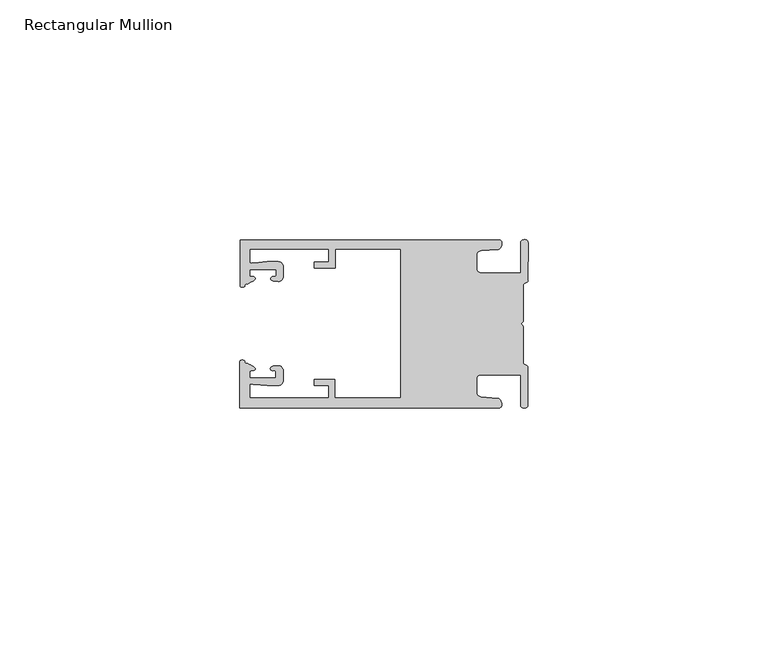
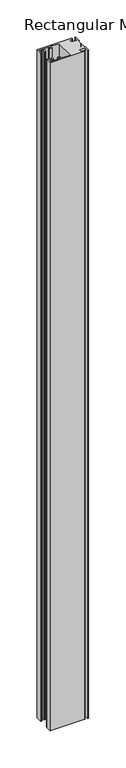
"""IFC4 building model written with IfcOpenShell, lengths in millimetres: member geometry, Rectangular Mullion."""

from ifc_helpers import new_model, si_unit, frame, origin, place, context, project, spatial, circle_curve, source, transform, mapped, element, save
from ifc_brep_helpers import plane_surface, cylinder_surface, extruded_surface, spline_curve, advanced_brep


def rectangular_mullion_bb5cd345(model_context):
    return source(origin(), model_context, "Body", "AdvancedBrep", [
        advanced_brep(
        [(-60.0749377, 17.5111528, 0.0), (-60.0749377, 8.0140787, 0.0), (-59.3252567, 7.7187455, 0.0), (-58.4967974, 8.36785, 0.0), (-58.0726619, 10.1173923, 0.0), (-58.0713101, 11.3673916, 0.0), (-52.5713133, 11.3614437, 0.0), (-52.5726651, 10.1114444, 0.0), (-53.1427626, 8.8955539, 0.0), (-52.0740172, 8.8609044, 0.0), (-51.0729364, 9.8598224, 0.0), (-51.0706653, 11.9598211, 0.0), (-52.0700692, 12.9609024, 0.0), (-54.3905105, 12.9622843, 0.0), (-57.1599646, 12.7230061, 0.0), (-58.0696339, 12.9173907, 0.0), (-58.066768, 15.5673891, 0.0), (-41.5667584, 15.5673891, 0.0), (-41.5695894, 12.9495468, 0.0), (-44.5695877, 12.9527912, 0.0), (-44.5709936, 11.6527919, 0.0), (-40.2709961, 11.6481417, 0.0), (-40.2667576, 15.5673891, 0.0), (-26.6002952, 15.5673891, 0.0), (-26.6002952, -15.4518424, 0.0), (-40.3003032, -15.4518424, 0.0), (-40.2960856, -11.5518447, 0.0), (-44.5960831, -11.5471945, 0.0), (-44.597489, -12.8471938, 0.0), (-41.5974907, -12.8504381, 0.0), (-41.6003025, -15.4504366, 0.0), (-58.1002928, -15.4325927, 0.0), (-58.097427, -12.7825943, 0.0), (-57.1873395, -12.5901776, 0.0), (-54.4184094, -12.8354453, 0.0), (-52.0979705, -12.8390822, 0.0), (-51.0964037, -11.8401649, 0.0), (-51.0941327, -9.7401662, 0.0), (-52.0930507, -8.7390853, 0.0), (-53.1618685, -8.7714231, 0.0), (-52.5944022, -9.9885439, 0.0), (-52.595754, -11.2385431, 0.0), (-58.0957508, -11.2325952, 0.0), (-58.094399, -9.9825959, 0.0), (-58.5147494, -8.2321403, 0.0), (-59.3418028, -7.5812455, 0.0), (-60.0921208, -7.8749565, 0.0), (-60.0921208, -17.4888267, 0.0), (-6.1024861, -17.4888267, 0.0), (-6.5218639, -15.488372, 0.0), (-9.8784944, -15.2205466, 0.0), (-10.7989567, -14.2226333, 0.0), (-10.7961029, -11.5837474, 0.0), (-9.8734844, -10.5878272, 0.0), (-1.5950266, -10.5934991, 0.0), (-1.601948, -16.9936935, 0.0), (-0.1017194, -16.7830581, 0.0), (-0.0933208, -9.0170082, 0.0), (-1.0923837, -8.1499018, 0.0), (-1.0842165, -0.5977972, 0.0), (-1.0829111, 0.6093089, 0.0), (-1.0747439, 8.1614135, 0.0), (-0.0738079, 9.026357, 0.0), (-0.0654093, 16.7924069, 0.0), (-1.5651789, 17.0062866, 0.0), (-1.5651789, 10.6183257, 0.0), (-9.8505511, 10.6183257, 0.0), (-10.7710133, 11.6162391, 0.0), (-10.7681595, 14.255125, 0.0), (-9.845541, 15.2510452, 0.0), (-6.4883391, 15.5116099, 0.0), (-6.0646356, 17.5111528, 0.0), (-60.0749377, 17.5111528, -1096.5), (-6.0646356, 17.5111528, -1096.5), (-6.4883391, 15.5116099, -1096.5), (-9.845541, 15.2510452, -1096.5), (-10.7681595, 14.255125, -1096.5), (-10.7710133, 11.6162391, -1096.5), (-9.8505511, 10.6183257, -1096.5), (-1.5651789, 10.6183257, -1096.5), (-1.5651789, 17.0062866, -1096.5), (-0.0654093, 16.7924069, -1096.5), (-0.0738079, 9.026357, -1096.5), (-1.0747439, 8.1614135, -1096.5), (-1.0829111, 0.6093089, -1096.5), (-1.0842165, -0.5977972, -1096.5), (-1.0923837, -8.1499018, -1096.5), (-0.0933208, -9.0170082, -1096.5), (-0.1017194, -16.7830581, -1096.5), (-1.601948, -16.9936935, -1096.5), (-1.5950266, -10.5934991, -1096.5), (-9.8734844, -10.5878272, -1096.5), (-10.7961029, -11.5837474, -1096.5), (-10.7989567, -14.2226333, -1096.5), (-9.8784944, -15.2205466, -1096.5), (-6.5218639, -15.488372, -1096.5), (-6.1024861, -17.4888267, -1096.5), (-60.0921208, -17.4888267, -1096.5), (-60.0921208, -7.8749565, -1096.5), (-59.3418028, -7.5812455, -1096.5), (-58.5147494, -8.2321403, -1096.5), (-58.094399, -9.9825959, -1096.5), (-58.0957508, -11.2325952, -1096.5), (-52.595754, -11.2385431, -1096.5), (-52.5944022, -9.9885439, -1096.5), (-53.1618685, -8.7714231, -1096.5), (-52.0930507, -8.7390853, -1096.5), (-51.0941327, -9.7401662, -1096.5), (-51.0964037, -11.8401649, -1096.5), (-52.0979705, -12.8390823, -1096.5), (-54.4184094, -12.8354453, -1096.5), (-57.1873395, -12.5901776, -1096.5), (-58.097427, -12.7825943, -1096.5), (-58.1002928, -15.4325927, -1096.5), (-41.6003025, -15.4504366, -1096.5), (-41.5974907, -12.8504381, -1096.5), (-44.597489, -12.8471938, -1096.5), (-44.5960831, -11.5471945, -1096.5), (-40.2960856, -11.5518447, -1096.5), (-40.3003032, -15.4518424, -1096.5), (-26.6002952, -15.4518424, -1096.5), (-26.6002952, 15.5673891, -1096.5), (-40.2667576, 15.5673891, -1096.5), (-40.2709961, 11.6481417, -1096.5), (-44.5709936, 11.6527919, -1096.5), (-44.5695877, 12.9527912, -1096.5), (-41.5695894, 12.9495468, -1096.5), (-41.5667584, 15.5673891, -1096.5), (-58.066768, 15.5673891, -1096.5), (-58.0696339, 12.9173907, -1096.5), (-57.1599646, 12.7230061, -1096.5), (-54.3905105, 12.9622843, -1096.5), (-52.0700692, 12.9609023, -1096.5), (-51.0706653, 11.9598211, -1096.5), (-51.0729364, 9.8598224, -1096.5), (-52.0740172, 8.8609044, -1096.5), (-53.1427626, 8.8955539, -1096.5), (-52.5726651, 10.1114444, -1096.5), (-52.5713133, 11.3614437, -1096.5), (-58.0713101, 11.3673916, -1096.5), (-58.0726619, 10.1173923, -1096.5), (-58.4967974, 8.36785, -1096.5), (-59.3252567, 7.7187455, -1096.5), (-60.0749377, 8.0140787, -1096.5)],
        [
            (0, 1),
            (1, 2, spline_curve(3, [(-60.0749377, 8.0140787, 0.0), (-60.075233123, 7.740904774, 0.0), (-59.825339491, 7.642460332, 0.0), (-59.3252567, 7.7187455, 0.0)], [4, 4], [0.0, 0.0019169337574178654])),
            (2, 3, spline_curve(3, [(-59.3252567, 7.7187455, 0.0), (-59.094460914, 7.75918372, 0.0), (-59.054835463, 7.902257199, 0.0), (-59.05559987, 8.233305614, 0.0), (-59.138729113, 8.4134359, 0.0), (-58.4967974, 8.36785, 0.0)], [4, 2, 4], [0.0, 0.0010199524164107188, 0.0024874514725970356])),
            (3, 4, spline_curve(3, [(-58.4967974, 8.36785, 0.0), (-57.022393378, 9.053435667, 0.0), (-56.827266887, 9.364828726, 0.0), (-56.982213078, 9.742623404, 0.0), (-57.177375211, 9.855581791, 0.0), (-57.697928101, 9.887955071, 0.0), (-57.997449153, 9.835475348, 0.0), (-58.0726619, 10.1173923, 0.0)], [4, 2, 2, 4], [0.0, 0.003269869179570428, 0.005490050486237203, 0.0073545767114364426])),
            (4, 5),
            (5, 6),
            (6, 7),
            (7, 8, spline_curve(3, [(-52.5726651, 10.1114444, 0.0), (-52.667195519, 9.760172042, 0.0), (-52.937094388, 9.861877724, 0.0), (-53.356237032, 9.895631753, 0.0), (-53.491940439, 9.811038713, 0.0), (-53.761900775, 9.511438033, 0.0), (-53.892893546, 9.278787104, 0.0), (-53.1427626, 8.8955539, 0.0)], [4, 2, 2, 4], [0.0, 0.001593963049934732, 0.0033360256320283306, 0.005339140673503943])),
            (8, 9),
            (9, 10, circle_curve(frame((-52.0729358, 9.8609038, 0.0), z_axis=(0.0, 0.0, 1.0), x_axis=(-0.0010814451158600304, -0.9999994152380598, 0.0)), 1.0)),
            (10, 11),
            (11, 12, circle_curve(frame((-52.0706647, 11.9609026, 0.0), z_axis=(0.0, 0.0, 1.0), x_axis=(-0.0010814451158600304, -0.9999994152380598, 0.0)), 1.0)),
            (12, 13),
            (13, 14),
            (14, 15, spline_curve(3, [(-57.1599646, 12.7230061, 0.0), (-57.631533854, 12.682262968, 0.0), (-58.018602985, 12.477800124, 0.0), (-58.0696339, 12.9173907, 0.0)], [4, 4], [0.0, 0.0014803385355886016])),
            (15, 16),
            (16, 17),
            (17, 18),
            (18, 19),
            (19, 20),
            (20, 21),
            (21, 22),
            (22, 23),
            (23, 24),
            (24, 25),
            (25, 26),
            (26, 27),
            (27, 28),
            (28, 29),
            (29, 30),
            (30, 31),
            (31, 32),
            (32, 33, spline_curve(3, [(-58.097427, -12.7825943, 0.0), (-58.045445419, -12.343115126, 0.0), (-57.658819528, -12.548414611, 0.0), (-57.1873395, -12.5901776, 0.0)], [4, 4], [0.0, 0.0014803385355886016])),
            (33, 34),
            (34, 35),
            (35, 36, circle_curve(frame((-52.0964031, -11.8390835, 0.0), z_axis=(0.0, 0.0, 1.0), x_axis=(0.0010814451158600304, 0.9999994152380598, 0.0)), 1.0)),
            (36, 37),
            (37, 38, circle_curve(frame((-52.0941321, -9.7390847, 0.0), z_axis=(0.0, 0.0, 1.0), x_axis=(0.0010814451158600304, 0.9999994152380598, 0.0)), 1.0)),
            (38, 39),
            (39, 40, spline_curve(3, [(-53.1618685, -8.7714231, 0.0), (-53.912826582, -9.153032958, 0.0), (-53.782337352, -9.385966711, 0.0), (-53.51302565, -9.686150585, 0.0), (-53.377505444, -9.771037009, 0.0), (-52.958290774, -9.738189618, 0.0), (-52.688172635, -9.637067904, 0.0), (-52.5944022, -9.9885439, 0.0)], [4, 2, 2, 4], [0.0, 0.002003115041475612, 0.0037451776235692107, 0.005339140673503943])),
            (40, 41),
            (41, 42),
            (42, 43),
            (43, 44, spline_curve(3, [(-58.094399, -9.9825959, 0.0), (-58.018576674, -9.700842284, 0.0), (-57.719169706, -9.753969703, 0.0), (-57.198548014, -9.722722397, 0.0), (-57.003142178, -9.61018632, 0.0), (-56.847379222, -9.232727657, 0.0), (-57.041831673, -8.920913336, 0.0), (-58.5147494, -8.2321403, 0.0)], [4, 2, 2, 4], [0.0, 0.0018645262251992395, 0.004084707531866015, 0.0073545767114364426])),
            (44, 45, spline_curve(3, [(-58.5147494, -8.2321403, 0.0), (-59.156778208, -8.276337666, 0.0), (-59.073259494, -8.096387681, 0.0), (-59.071779067, -7.765341694, 0.0), (-59.111095017, -7.622182811, 0.0), (-59.3418028, -7.5812455, 0.0)], [4, 2, 4], [0.0, 0.0014674990561863168, 0.0024874514725970356])),
            (45, 46, spline_curve(3, [(-59.3418028, -7.5812455, 0.0), (-59.841719425, -7.503878887, 0.0), (-60.091825377, -7.601782574, 0.0), (-60.0921208, -7.8749565, 0.0)], [4, 4], [0.0, 0.0019169337574178654])),
            (46, 47),
            (47, 48),
            (48, 49, spline_curve(3, [(-6.1024861, -17.4888267, 0.0), (-5.074532184, -17.418062188, 0.0), (-5.631140689, -15.411414367, 0.0), (-6.5218639, -15.488372, 0.0)], [4, 4], [0.0, 0.0043819361547461745])),
            (49, 50),
            (50, 51, spline_curve(3, [(-9.8784944, -15.2205466, 0.0), (-10.440691543, -15.150698463, 0.0), (-10.74751234, -14.818060727, 0.0), (-10.7989567, -14.2226333, 0.0)], [4, 4], [0.0, 0.0028645797420738927])),
            (51, 52),
            (52, 53, spline_curve(3, [(-10.7961029, -11.5837474, 0.0), (-10.743370817, -10.988432634, 0.0), (-10.435831301, -10.656459204, 0.0), (-9.8734844, -10.5878272, 0.0)], [4, 4], [0.0, 0.0028645797420738927])),
            (53, 54),
            (54, 55),
            (55, 56, spline_curve(3, [(-1.601948, -16.9936935, 0.0), (-1.655676874, -17.600261454, 0.0), (-0.043737403, -17.912795581, 0.0), (-0.1017194, -16.7830581, 0.0)], [4, 4], [0.0, 0.0036987374396357936])),
            (56, 57),
            (57, 58, spline_curve(3, [(-0.0933208, -9.0170082, 0.0), (-0.018818183, -8.695886697, 0.0), (-1.193434327, -8.459763043, 0.0), (-1.0923837, -8.1499018, 0.0)], [4, 4], [0.0, 0.002027216749630121])),
            (58, 59),
            (59, 60, spline_curve(3, [(-1.0842165, -0.5977972, 0.0), (-1.013223198, -0.445980437, 0.0), (-1.487945123, -0.206736825, 0.0), (-1.487409651, 0.231097965, 0.0), (-0.999110985, 0.429090391, 0.0), (-1.0829111, 0.6093089, 0.0)], [4, 2, 4], [0.0, 0.00249866671847065, 0.005031402919736269])),
            (60, 61),
            (61, 62, spline_curve(3, [(-1.0747439, 8.1614135, 0.0), (-1.175124095, 8.47149258, 0.0), (-7e-09, 8.705075107, 0.0), (-0.0738079, 9.026357, 0.0)], [4, 4], [0.0, 0.002027216749630121])),
            (62, 63),
            (63, 64, spline_curve(3, [(-0.0654093, 16.7924069, 0.0), (-0.004983942, 17.92201633, 0.0), (-1.617595709, 17.612969344, 0.0), (-1.5651789, 17.0062866, 0.0)], [4, 4], [0.0, 0.0036987374396357936])),
            (64, 65),
            (65, 66),
            (66, 67, spline_curve(3, [(-9.8505511, 10.6183257, 0.0), (-10.412748243, 10.688173837, 0.0), (-10.71956894, 11.020811673, 0.0), (-10.7710133, 11.6162391, 0.0)], [4, 4], [0.0, 0.0028645797420738927])),
            (67, 68),
            (68, 69, spline_curve(3, [(-10.7681595, 14.255125, 0.0), (-10.715427417, 14.850439766, 0.0), (-10.407887901, 15.182413196, 0.0), (-9.845541, 15.2510452, 0.0)], [4, 4], [0.0, 0.0028645797420738927])),
            (69, 70),
            (70, 71, spline_curve(3, [(-6.4883391, 15.5116099, 0.0), (-5.597784423, 15.432725911, 0.0), (-5.036837144, 17.438165103, 0.0), (-6.0646356, 17.5111528, 0.0)], [4, 4], [0.0, 0.0043819361547461745])),
            (71, 0),
            (72, 73),
            (73, 74, spline_curve(3, [(-6.0646356, 17.5111528, -1096.5), (-5.036837144, 17.438165103, -1096.5), (-5.597784423, 15.432725911, -1096.5), (-6.4883391, 15.5116099, -1096.5)], [4, 4], [0.0, 0.0043819361547461745])),
            (74, 75),
            (75, 76, spline_curve(3, [(-9.845541, 15.2510452, -1096.5), (-10.407887901, 15.182413196, -1096.5), (-10.715427417, 14.850439766, -1096.5), (-10.7681595, 14.255125, -1096.5)], [4, 4], [0.0, 0.0028645797420738927])),
            (76, 77),
            (77, 78, spline_curve(3, [(-10.7710133, 11.6162391, -1096.5), (-10.71956894, 11.020811673, -1096.5), (-10.412748243, 10.688173837, -1096.5), (-9.8505511, 10.6183257, -1096.5)], [4, 4], [0.0, 0.0028645797420738927])),
            (78, 79),
            (79, 80),
            (80, 81, spline_curve(3, [(-1.5651789, 17.0062866, -1096.5), (-1.617595709, 17.612969344, -1096.5), (-0.004983942, 17.92201633, -1096.5), (-0.0654093, 16.7924069, -1096.5)], [4, 4], [0.0, 0.0036987374396357936])),
            (81, 82),
            (82, 83, spline_curve(3, [(-0.0738079, 9.026357, -1096.5), (-7e-09, 8.705075107, -1096.5), (-1.175124095, 8.47149258, -1096.5), (-1.0747439, 8.1614135, -1096.5)], [4, 4], [0.0, 0.002027216749630121])),
            (83, 84),
            (84, 85, spline_curve(3, [(-1.0829111, 0.6093089, -1096.5), (-0.999110985, 0.429090391, -1096.5), (-1.487409651, 0.231097965, -1096.5), (-1.487945123, -0.206736825, -1096.5), (-1.013223198, -0.445980437, -1096.5), (-1.0842165, -0.5977972, -1096.5)], [4, 2, 4], [0.0, 0.002532736201265619, 0.005031402919736269])),
            (85, 86),
            (86, 87, spline_curve(3, [(-1.0923837, -8.1499018, -1096.5), (-1.193434327, -8.459763043, -1096.5), (-0.018818183, -8.695886697, -1096.5), (-0.0933208, -9.0170082, -1096.5)], [4, 4], [0.0, 0.002027216749630121])),
            (87, 88),
            (88, 89, spline_curve(3, [(-0.1017194, -16.7830581, -1096.5), (-0.043737403, -17.912795581, -1096.5), (-1.655676874, -17.600261454, -1096.5), (-1.601948, -16.9936935, -1096.5)], [4, 4], [0.0, 0.0036987374396357936])),
            (89, 90),
            (90, 91),
            (91, 92, spline_curve(3, [(-9.8734844, -10.5878272, -1096.5), (-10.435831301, -10.656459204, -1096.5), (-10.743370817, -10.988432634, -1096.5), (-10.7961029, -11.5837474, -1096.5)], [4, 4], [0.0, 0.0028645797420738927])),
            (92, 93),
            (93, 94, spline_curve(3, [(-10.7989567, -14.2226333, -1096.5), (-10.74751234, -14.818060727, -1096.5), (-10.440691543, -15.150698463, -1096.5), (-9.8784944, -15.2205466, -1096.5)], [4, 4], [0.0, 0.0028645797420738927])),
            (94, 95),
            (95, 96, spline_curve(3, [(-6.5218639, -15.488372, -1096.5), (-5.631140689, -15.411414367, -1096.5), (-5.074532184, -17.418062188, -1096.5), (-6.1024861, -17.4888267, -1096.5)], [4, 4], [0.0, 0.0043819361547461745])),
            (96, 97),
            (97, 98),
            (98, 99, spline_curve(3, [(-60.0921208, -7.8749565, -1096.5), (-60.091825377, -7.601782574, -1096.5), (-59.841719425, -7.503878887, -1096.5), (-59.3418028, -7.5812455, -1096.5)], [4, 4], [0.0, 0.0019169337574178654])),
            (99, 100, spline_curve(3, [(-59.3418028, -7.5812455, -1096.5), (-59.111095017, -7.622182811, -1096.5), (-59.071779067, -7.765341694, -1096.5), (-59.073259494, -8.096387681, -1096.5), (-59.156778208, -8.276337666, -1096.5), (-58.5147494, -8.2321403, -1096.5)], [4, 2, 4], [0.0, 0.0010199524164107188, 0.0024874514725970356])),
            (100, 101, spline_curve(3, [(-58.5147494, -8.2321403, -1096.5), (-57.041831673, -8.920913336, -1096.5), (-56.847379222, -9.232727657, -1096.5), (-57.003142178, -9.61018632, -1096.5), (-57.198548014, -9.722722397, -1096.5), (-57.719169706, -9.753969703, -1096.5), (-58.018576674, -9.700842284, -1096.5), (-58.094399, -9.9825959, -1096.5)], [4, 2, 2, 4], [0.0, 0.003269869179570428, 0.005490050486237203, 0.0073545767114364426])),
            (101, 102),
            (102, 103),
            (103, 104),
            (104, 105, spline_curve(3, [(-52.5944022, -9.9885439, -1096.5), (-52.688172635, -9.637067904, -1096.5), (-52.958290774, -9.738189618, -1096.5), (-53.377505444, -9.771037009, -1096.5), (-53.51302565, -9.686150585, -1096.5), (-53.782337352, -9.385966711, -1096.5), (-53.912826582, -9.153032958, -1096.5), (-53.1618685, -8.7714231, -1096.5)], [4, 2, 2, 4], [0.0, 0.001593963049934732, 0.0033360256320283306, 0.005339140673503943])),
            (105, 106),
            (106, 107, circle_curve(frame((-52.0941321, -9.7390847, -1096.5), z_axis=(0.0, 0.0, -1.0), x_axis=(0.0010814451158600304, 0.9999994152380598, 0.0)), 1.0)),
            (107, 108),
            (108, 109, circle_curve(frame((-52.0964031, -11.8390835, -1096.5), z_axis=(0.0, 0.0, -1.0), x_axis=(0.0010814451158600304, 0.9999994152380598, 0.0)), 1.0)),
            (109, 110),
            (110, 111),
            (111, 112, spline_curve(3, [(-57.1873395, -12.5901776, -1096.5), (-57.658819528, -12.548414611, -1096.5), (-58.045445419, -12.343115126, -1096.5), (-58.097427, -12.7825943, -1096.5)], [4, 4], [0.0, 0.0014803385355886016])),
            (112, 113),
            (113, 114),
            (114, 115),
            (115, 116),
            (116, 117),
            (117, 118),
            (118, 119),
            (119, 120),
            (120, 121),
            (121, 122),
            (122, 123),
            (123, 124),
            (124, 125),
            (125, 126),
            (126, 127),
            (127, 128),
            (128, 129),
            (129, 130, spline_curve(3, [(-58.0696339, 12.9173907, -1096.5), (-58.018602985, 12.477800124, -1096.5), (-57.631533854, 12.682262968, -1096.5), (-57.1599646, 12.7230061, -1096.5)], [4, 4], [0.0, 0.0014803385355886016])),
            (130, 131),
            (131, 132),
            (132, 133, circle_curve(frame((-52.0706647, 11.9609026, -1096.5), z_axis=(0.0, 0.0, -1.0), x_axis=(-0.0010814451158600304, -0.9999994152380598, 0.0)), 1.0)),
            (133, 134),
            (134, 135, circle_curve(frame((-52.0729358, 9.8609038, -1096.5), z_axis=(0.0, 0.0, -1.0), x_axis=(-0.0010814451158600304, -0.9999994152380598, 0.0)), 1.0)),
            (135, 136),
            (136, 137, spline_curve(3, [(-53.1427626, 8.8955539, -1096.5), (-53.892893546, 9.278787104, -1096.5), (-53.761900775, 9.511438033, -1096.5), (-53.491940439, 9.811038713, -1096.5), (-53.356237032, 9.895631753, -1096.5), (-52.937094388, 9.861877724, -1096.5), (-52.667195519, 9.760172042, -1096.5), (-52.5726651, 10.1114444, -1096.5)], [4, 2, 2, 4], [0.0, 0.002003115041475612, 0.0037451776235692107, 0.005339140673503943])),
            (137, 138),
            (138, 139),
            (139, 140),
            (140, 141, spline_curve(3, [(-58.0726619, 10.1173923, -1096.5), (-57.997449153, 9.835475348, -1096.5), (-57.697928101, 9.887955071, -1096.5), (-57.177375211, 9.855581791, -1096.5), (-56.982213078, 9.742623404, -1096.5), (-56.827266887, 9.364828726, -1096.5), (-57.022393378, 9.053435667, -1096.5), (-58.4967974, 8.36785, -1096.5)], [4, 2, 2, 4], [0.0, 0.0018645262251992395, 0.004084707531866015, 0.0073545767114364426])),
            (141, 142, spline_curve(3, [(-58.4967974, 8.36785, -1096.5), (-59.138729113, 8.4134359, -1096.5), (-59.05559987, 8.233305614, -1096.5), (-59.054835463, 7.902257199, -1096.5), (-59.094460914, 7.75918372, -1096.5), (-59.3252567, 7.7187455, -1096.5)], [4, 2, 4], [0.0, 0.0014674990561863168, 0.0024874514725970356])),
            (142, 143, spline_curve(3, [(-59.3252567, 7.7187455, -1096.5), (-59.825339491, 7.642460332, -1096.5), (-60.075233123, 7.740904774, -1096.5), (-60.0749377, 8.0140787, -1096.5)], [4, 4], [0.0, 0.0019169337574178654])),
            (143, 72),
            (0, 72),
            (143, 1),
            (142, 2),
            (141, 3),
            (140, 4),
            (139, 5),
            (138, 6),
            (137, 7),
            (136, 8),
            (135, 9),
            (134, 10),
            (133, 11),
            (132, 12),
            (131, 13),
            (130, 14),
            (129, 15),
            (128, 16),
            (127, 17),
            (126, 18),
            (125, 19),
            (124, 20),
            (123, 21),
            (122, 22),
            (121, 23),
            (120, 24),
            (119, 25),
            (118, 26),
            (117, 27),
            (116, 28),
            (115, 29),
            (114, 30),
            (113, 31),
            (112, 32),
            (111, 33),
            (110, 34),
            (109, 35),
            (108, 36),
            (107, 37),
            (106, 38),
            (105, 39),
            (104, 40),
            (103, 41),
            (102, 42),
            (101, 43),
            (100, 44),
            (99, 45),
            (98, 46),
            (97, 47),
            (96, 48),
            (95, 49),
            (94, 50),
            (93, 51),
            (92, 52),
            (91, 53),
            (90, 54),
            (89, 55),
            (88, 56),
            (87, 57),
            (86, 58),
            (85, 59),
            (84, 60),
            (83, 61),
            (82, 62),
            (81, 63),
            (80, 64),
            (79, 65),
            (78, 66),
            (77, 67),
            (76, 68),
            (75, 69),
            (74, 70),
            (73, 71),
        ],
        [
            plane_surface(frame((0.0, -62.5853181, 0.0), z_axis=(0.0, 0.0, 1.0), x_axis=(-1.0, 0.0, 0.0))),
            plane_surface(frame((0.0, -62.5853181, -1096.5), z_axis=(0.0, 0.0, -1.0), x_axis=(-1.0, 0.0, 0.0))),
            plane_surface(frame((-60.0749377, 17.5111528, 0.0), z_axis=(-1.0, 0.0, 0.0), x_axis=(0.0, 0.0, -1.0))),
            extruded_surface(spline_curve(3, [(-60.0749377, 8.0140787, -1096.5), (-60.075233123, 7.740904774, -1096.5), (-59.825339491, 7.642460332, -1096.5), (-59.3252567, 7.7187455, -1096.5)], [4, 4], [0.0, 0.0019169337574178654]), (0.0, 0.0, 1096.5), 1096.5),
            extruded_surface(spline_curve(3, [(-59.3252567, 7.7187455, -1096.5), (-59.094460914, 7.75918372, -1096.5), (-59.054835463, 7.902257199, -1096.5), (-59.05559987, 8.233305614, -1096.5), (-59.138729113, 8.4134359, -1096.5), (-58.4967974, 8.36785, -1096.5)], [4, 2, 4], [0.0, 0.0010199524164107188, 0.0024874514725970356]), (0.0, 0.0, 1096.5), 1096.5),
            extruded_surface(spline_curve(3, [(-58.4967974, 8.36785, -1096.5), (-57.022393378, 9.053435667, -1096.5), (-56.827266887, 9.364828726, -1096.5), (-56.982213078, 9.742623404, -1096.5), (-57.177375211, 9.855581791, -1096.5), (-57.697928101, 9.887955071, -1096.5), (-57.997449153, 9.835475348, -1096.5), (-58.0726619, 10.1173923, -1096.5)], [4, 2, 2, 4], [0.0, 0.003269869179570428, 0.005490050486237203, 0.0073545767114364426]), (0.0, 0.0, 1096.5), 1096.5),
            plane_surface(frame((-58.0726619, 10.1173923, 0.0), z_axis=(0.9999994152380598, -0.0010814451158634145, 0.0), x_axis=(0.0, 0.0, -1.0))),
            plane_surface(frame((-58.0713101, 11.3673916, 0.0), z_axis=(-0.0010814451158616418, -0.9999994152380598, 0.0), x_axis=(0.0, 0.0, -1.0))),
            plane_surface(frame((-52.5713133, 11.3614437, 0.0), z_axis=(-0.9999994152380598, 0.0010814451158643293, 0.0), x_axis=(0.0, 0.0, -1.0))),
            extruded_surface(spline_curve(3, [(-52.5726651, 10.1114444, -1096.5), (-52.667195519, 9.760172042, -1096.5), (-52.937094388, 9.861877724, -1096.5), (-53.356237032, 9.895631753, -1096.5), (-53.491940439, 9.811038713, -1096.5), (-53.761900775, 9.511438033, -1096.5), (-53.892893546, 9.278787104, -1096.5), (-53.1427626, 8.8955539, -1096.5)], [4, 2, 2, 4], [0.0, 0.001593963049934732, 0.0033360256320283306, 0.005339140673503943]), (0.0, 0.0, 1096.5), 1096.5),
            plane_surface(frame((-53.1427626, 8.8955539, 0.0), z_axis=(-0.032403661401520414, -0.9994748634797054, 0.0), x_axis=(0.0, 0.0, -1.0))),
            cylinder_surface(frame((-52.0729358, 9.8609038, 0.0), z_axis=(0.0, 0.0, 1.0000000000000002), x_axis=(-0.0010814451158600304, -0.9999994152380598, 0.0)), 1.0),
            plane_surface(frame((-51.0729364, 9.8598224, 0.0), z_axis=(0.9999994152380598, -0.001081445115864059, 0.0), x_axis=(0.0, 0.0, -1.0))),
            cylinder_surface(frame((-52.0706647, 11.9609026, 0.0), z_axis=(0.0, 0.0, 1.0000000000000002), x_axis=(-0.0010814451158600304, -0.9999994152380598, 0.0)), 1.0),
            plane_surface(frame((-52.0700692, 12.9609023, 0.0), z_axis=(0.0005955716436318007, 0.999999822647193, 0.0), x_axis=(0.0, 0.0, -1.0))),
            plane_surface(frame((-54.3905105, 12.9622843, 0.0), z_axis=(-0.08607836189159865, 0.9962883697073147, 0.0), x_axis=(0.0, 0.0, -1.0))),
            extruded_surface(spline_curve(3, [(-57.1599646, 12.7230061, -1096.5), (-57.631533854, 12.682262968, -1096.5), (-58.018602985, 12.477800124, -1096.5), (-58.0696339, 12.9173907, -1096.5)], [4, 4], [0.0, 0.0014803385355886016]), (0.0, 0.0, 1096.5), 1096.5),
            plane_surface(frame((-58.0696339, 12.9173907, 0.0), z_axis=(0.9999994152380598, -0.0010814451158629996, 0.0), x_axis=(0.0, 0.0, -1.0))),
            plane_surface(frame((-58.066768, 15.5673891, 0.0), z_axis=(0.0, -1.0, 0.0), x_axis=(0.0, 0.0, -1.0))),
            plane_surface(frame((-41.5667584, 15.5673891, 0.0), z_axis=(-0.9999994152380598, 0.0010814451158636304, 0.0), x_axis=(0.0, 0.0, -1.0))),
            plane_surface(frame((-41.5695894, 12.9495468, 0.0), z_axis=(0.0010814451158615687, 0.9999994152380598, 0.0), x_axis=(0.0, 0.0, -1.0))),
            plane_surface(frame((-44.5695877, 12.9527912, 0.0), z_axis=(-0.9999994152380598, 0.0010814451158626742, 0.0), x_axis=(0.0, 0.0, -1.0))),
            plane_surface(frame((-44.5709936, 11.6527919, 0.0), z_axis=(-0.001081445115861604, -0.9999994152380598, 0.0), x_axis=(0.0, 0.0, -1.0))),
            plane_surface(frame((-40.2709961, 11.6481417, 0.0), z_axis=(0.9999994152380598, -0.001081445115863507, 0.0), x_axis=(0.0, 0.0, -1.0))),
            plane_surface(frame((-40.2667576, 15.5673891, 0.0), z_axis=(0.0, -1.0, 0.0), x_axis=(0.0, 0.0, -1.0))),
            plane_surface(frame((-26.6002952, 15.5673891, 0.0), z_axis=(-1.0, 0.0, 0.0), x_axis=(0.0, 0.0, -1.0))),
            plane_surface(frame((-26.6002952, -15.4518424, 0.0), z_axis=(0.0, 1.0, 0.0), x_axis=(0.0, 0.0, -1.0))),
            plane_surface(frame((-40.3003032, -15.4518424, 0.0), z_axis=(0.9999994152380598, -0.0010814451158565538, 0.0), x_axis=(0.0, 0.0, -1.0))),
            plane_surface(frame((-40.2960856, -11.5518447, 0.0), z_axis=(0.0010814451158584568, 0.9999994152380598, 0.0), x_axis=(0.0, 0.0, -1.0))),
            plane_surface(frame((-44.5960831, -11.5471945, 0.0), z_axis=(-0.9999994152380598, 0.0010814451158573867, 0.0), x_axis=(0.0, 0.0, -1.0))),
            plane_surface(frame((-44.597489, -12.8471938, 0.0), z_axis=(-0.0010814451158584922, -0.9999994152380598, 0.0), x_axis=(0.0, 0.0, -1.0))),
            plane_surface(frame((-41.5974907, -12.8504381, 0.0), z_axis=(-0.9999994152380598, 0.0010814451158564305, 0.0), x_axis=(0.0, 0.0, -1.0))),
            plane_surface(frame((-41.6003025, -15.4504366, 0.0), z_axis=(0.0010814451158583872, 0.9999994152380598, 0.0), x_axis=(0.0, 0.0, -1.0))),
            plane_surface(frame((-58.1002928, -15.4325927, 0.0), z_axis=(0.9999994152380598, -0.0010814451158570612, 0.0), x_axis=(0.0, 0.0, -1.0))),
            extruded_surface(spline_curve(3, [(-58.097427, -12.7825943, -1096.5), (-58.045445419, -12.343115126, -1096.5), (-57.658819528, -12.548414611, -1096.5), (-57.1873395, -12.5901776, -1096.5)], [4, 4], [0.0, 0.0014803385355886016]), (0.0, 0.0, 1096.5), 1096.5),
            plane_surface(frame((-57.1873395, -12.5901776, 0.0), z_axis=(-0.0882330216729926, -0.9960998614026876, 0.0), x_axis=(0.0, 0.0, -1.0))),
            plane_surface(frame((-54.4184094, -12.8354453, 0.0), z_axis=(-0.0015673183327880543, -0.9999987717558677, 0.0), x_axis=(0.0, 0.0, -1.0))),
            cylinder_surface(frame((-52.0964031, -11.8390835, 0.0), z_axis=(0.0, 0.0, 1.0000000000000002), x_axis=(0.0010814451158600304, 0.9999994152380598, 0.0)), 1.0),
            plane_surface(frame((-51.0964037, -11.8401649, 0.0), z_axis=(0.9999994152380598, -0.001081445115856002, 0.0), x_axis=(0.0, 0.0, -1.0))),
            cylinder_surface(frame((-52.0941321, -9.7390847, 0.0), z_axis=(0.0, 0.0, 1.0000000000000002), x_axis=(0.0010814451158600304, 0.9999994152380598, 0.0)), 1.0),
            plane_surface(frame((-52.0930507, -8.7390853, 0.0), z_axis=(-0.030241832452872642, 0.9995426111826812, 0.0), x_axis=(0.0, 0.0, -1.0))),
            extruded_surface(spline_curve(3, [(-53.1618685, -8.7714231, -1096.5), (-53.912826582, -9.153032958, -1096.5), (-53.782337352, -9.385966711, -1096.5), (-53.51302565, -9.686150585, -1096.5), (-53.377505444, -9.771037009, -1096.5), (-52.958290774, -9.738189618, -1096.5), (-52.688172635, -9.637067904, -1096.5), (-52.5944022, -9.9885439, -1096.5)], [4, 2, 2, 4], [0.0, 0.002003115041475612, 0.0037451776235692107, 0.005339140673503943]), (0.0, 0.0, 1096.5), 1096.5),
            plane_surface(frame((-52.5944022, -9.9885439, 0.0), z_axis=(-0.9999994152380598, 0.0010814451158557316, 0.0), x_axis=(0.0, 0.0, -1.0))),
            plane_surface(frame((-52.595754, -11.2385431, 0.0), z_axis=(0.001081445115858419, 0.9999994152380598, 0.0), x_axis=(0.0, 0.0, -1.0))),
            plane_surface(frame((-58.0957508, -11.2325952, 0.0), z_axis=(0.9999994152380598, -0.0010814451158566464, 0.0), x_axis=(0.0, 0.0, -1.0))),
            extruded_surface(spline_curve(3, [(-58.094399, -9.9825959, -1096.5), (-58.018576674, -9.700842284, -1096.5), (-57.719169706, -9.753969703, -1096.5), (-57.198548014, -9.722722397, -1096.5), (-57.003142178, -9.61018632, -1096.5), (-56.847379222, -9.232727657, -1096.5), (-57.041831673, -8.920913336, -1096.5), (-58.5147494, -8.2321403, -1096.5)], [4, 2, 2, 4], [0.0, 0.0018645262251992395, 0.004084707531866015, 0.0073545767114364426]), (0.0, 0.0, 1096.5), 1096.5),
            extruded_surface(spline_curve(3, [(-58.5147494, -8.2321403, -1096.5), (-59.156778208, -8.276337666, -1096.5), (-59.073259494, -8.096387681, -1096.5), (-59.071779067, -7.765341694, -1096.5), (-59.111095017, -7.622182811, -1096.5), (-59.3418028, -7.5812455, -1096.5)], [4, 2, 4], [0.0, 0.0014674990561863168, 0.0024874514725970356]), (0.0, 0.0, 1096.5), 1096.5),
            extruded_surface(spline_curve(3, [(-59.3418028, -7.5812455, -1096.5), (-59.841719425, -7.503878887, -1096.5), (-60.091825377, -7.601782574, -1096.5), (-60.0921208, -7.8749565, -1096.5)], [4, 4], [0.0, 0.0019169337574178654]), (0.0, 0.0, 1096.5), 1096.5),
            plane_surface(frame((-60.0921208, -7.8749565, 0.0), z_axis=(-1.0, 0.0, 0.0), x_axis=(0.0, 0.0, -1.0))),
            plane_surface(frame((-60.0921208, -17.4888267, 0.0), z_axis=(0.0, -1.0, 0.0), x_axis=(0.0, 0.0, -1.0))),
            extruded_surface(spline_curve(3, [(-6.1024861, -17.4888267, -1096.5), (-5.074532184, -17.418062188, -1096.5), (-5.631140689, -15.411414367, -1096.5), (-6.5218639, -15.488372, -1096.5)], [4, 4], [0.0, 0.0043819361547461745]), (0.0, 0.0, 1096.5), 1096.5),
            plane_surface(frame((-6.5218639, -15.488372, 0.0), z_axis=(0.07953716124904908, 0.9968319015663789, 0.0), x_axis=(0.0, 0.0, -1.0))),
            extruded_surface(spline_curve(3, [(-9.8784944, -15.2205466, -1096.5), (-10.440691543, -15.150698463, -1096.5), (-10.74751234, -14.818060727, -1096.5), (-10.7989567, -14.2226333, -1096.5)], [4, 4], [0.0, 0.0028645797420738927]), (0.0, 0.0, 1096.5), 1096.5),
            plane_surface(frame((-10.7989567, -14.2226333, 0.0), z_axis=(0.9999994152380598, -0.0010814451158568247, 0.0), x_axis=(0.0, 0.0, -1.0))),
            extruded_surface(spline_curve(3, [(-10.7961029, -11.5837474, -1096.5), (-10.743370817, -10.988432634, -1096.5), (-10.435831301, -10.656459204, -1096.5), (-9.8734844, -10.5878272, -1096.5)], [4, 4], [0.0, 0.0028645797420738927]), (0.0, 0.0, 1096.5), 1096.5),
            plane_surface(frame((-9.8734844, -10.5878272, 0.0), z_axis=(-0.0006851371995361226, -0.9999997652934814, 0.0), x_axis=(0.0, 0.0, -1.0))),
            plane_surface(frame((-1.5950266, -10.5934991, 0.0), z_axis=(-0.9999994152380598, 0.0010814451158568644, 0.0), x_axis=(0.0, 0.0, -1.0))),
            extruded_surface(spline_curve(3, [(-1.601948, -16.9936935, -1096.5), (-1.655676874, -17.600261454, -1096.5), (-0.043737403, -17.912795581, -1096.5), (-0.1017194, -16.7830581, -1096.5)], [4, 4], [0.0, 0.0036987374396357936]), (0.0, 0.0, 1096.5), 1096.5),
            plane_surface(frame((-0.1017194, -16.7830581, 0.0), z_axis=(0.9999994152380598, -0.001081445115856699, 0.0), x_axis=(0.0, 0.0, -1.0))),
            extruded_surface(spline_curve(3, [(-0.0933208, -9.0170082, -1096.5), (-0.018818183, -8.695886697, -1096.5), (-1.193434327, -8.459763043, -1096.5), (-1.0923837, -8.1499018, -1096.5)], [4, 4], [0.0, 0.002027216749630121]), (0.0, 0.0, 1096.5), 1096.5),
            plane_surface(frame((-1.0923837, -8.1499018, 0.0), z_axis=(0.9999994152380598, -0.0010814451158566698, 0.0), x_axis=(0.0, 0.0, -1.0))),
            extruded_surface(spline_curve(3, [(-1.0842165, -0.5977972, -1096.5), (-1.013223198, -0.445980437, -1096.5), (-1.487945123, -0.206736825, -1096.5), (-1.487409651, 0.231097965, -1096.5), (-0.999110985, 0.429090391, -1096.5), (-1.0829111, 0.6093089, -1096.5)], [4, 2, 4], [0.0, 0.00249866671847065, 0.005031402919736269]), (0.0, 0.0, 1096.5), 1096.5),
            plane_surface(frame((-1.0829111, 0.6093089, 0.0), z_axis=(0.9999994152380598, -0.001081445115863391, 0.0), x_axis=(0.0, 0.0, -1.0))),
            extruded_surface(spline_curve(3, [(-1.0747439, 8.1614135, -1096.5), (-1.175124095, 8.47149258, -1096.5), (-7e-09, 8.705075107, -1096.5), (-0.0738079, 9.026357, -1096.5)], [4, 4], [0.0, 0.002027216749630121]), (0.0, 0.0, 1096.5), 1096.5),
            plane_surface(frame((-0.0738079, 9.026357, 0.0), z_axis=(0.9999994152380598, -0.001081445115863362, 0.0), x_axis=(0.0, 0.0, -1.0))),
            extruded_surface(spline_curve(3, [(-0.0654093, 16.7924069, -1096.5), (-0.004983942, 17.92201633, -1096.5), (-1.617595709, 17.612969344, -1096.5), (-1.5651789, 17.0062866, -1096.5)], [4, 4], [0.0, 0.0036987374396357936]), (0.0, 0.0, 1096.5), 1096.5),
            plane_surface(frame((-1.5651789, 17.0062866, 0.0), z_axis=(-1.0, 0.0, 0.0), x_axis=(0.0, 0.0, -1.0))),
            plane_surface(frame((-1.5651789, 10.6183257, 0.0), z_axis=(0.0, 1.0, 0.0), x_axis=(0.0, 0.0, -1.0))),
            extruded_surface(spline_curve(3, [(-9.8505511, 10.6183257, -1096.5), (-10.412748243, 10.688173837, -1096.5), (-10.71956894, 11.020811673, -1096.5), (-10.7710133, 11.6162391, -1096.5)], [4, 4], [0.0, 0.0028645797420738927]), (0.0, 0.0, 1096.5), 1096.5),
            plane_surface(frame((-10.7710133, 11.6162391, 0.0), z_axis=(0.9999994152380598, -0.0010814451158632362, 0.0), x_axis=(0.0, 0.0, -1.0))),
            extruded_surface(spline_curve(3, [(-10.7681595, 14.255125, -1096.5), (-10.715427417, 14.850439766, -1096.5), (-10.407887901, 15.182413196, -1096.5), (-9.845541, 15.2510452, -1096.5)], [4, 4], [0.0, 0.0028645797420738927]), (0.0, 0.0, 1096.5), 1096.5),
            plane_surface(frame((-9.845541, 15.2510452, 0.0), z_axis=(0.07738093848608862, -0.9970015999781607, 0.0), x_axis=(0.0, 0.0, -1.0))),
            extruded_surface(spline_curve(3, [(-6.4883391, 15.5116099, -1096.5), (-5.597784423, 15.432725911, -1096.5), (-5.036837144, 17.438165103, -1096.5), (-6.0646356, 17.5111528, -1096.5)], [4, 4], [0.0, 0.0043819361547461745]), (0.0, 0.0, 1096.5), 1096.5),
            plane_surface(frame((-6.0646356, 17.5111528, 0.0), z_axis=(0.0, 1.0, 0.0), x_axis=(0.0, 0.0, -1.0))),
        ],
        [
            (0, [[1, 2, 3, 4, 5, 6, 7, 8, 9, 10, 11, 12, 13, 14, 15, 16, 17, 18, 19, 20, 21, 22, 23, 24, 25, 26, 27, 28, 29, 30, 31, 32, 33, 34, 35, 36, 37, 38, 39, 40, 41, 42, 43, 44, 45, 46, 47, 48, 49, 50, 51, 52, 53, 54, 55, 56, 57, 58, 59, 60, 61, 62, 63, 64, 65, 66, 67, 68, 69, 70, 71, 72]]),
            (1, [[73, 74, 75, 76, 77, 78, 79, 80, 81, 82, 83, 84, 85, 86, 87, 88, 89, 90, 91, 92, 93, 94, 95, 96, 97, 98, 99, 100, 101, 102, 103, 104, 105, 106, 107, 108, 109, 110, 111, 112, 113, 114, 115, 116, 117, 118, 119, 120, 121, 122, 123, 124, 125, 126, 127, 128, 129, 130, 131, 132, 133, 134, 135, 136, 137, 138, 139, 140, 141, 142, 143, 144]]),
            (2, [[-1, 145, -144, 146]]),
            (3, [[-2, -146, -143, 147]]),
            (4, [[-3, -147, -142, 148]]),
            (5, [[-4, -148, -141, 149]]),
            (6, [[-5, -149, -140, 150]]),
            (7, [[-6, -150, -139, 151]]),
            (8, [[-7, -151, -138, 152]]),
            (9, [[-8, -152, -137, 153]]),
            (10, [[-9, -153, -136, 154]]),
            (11, [[-10, -154, -135, 155]]),
            (12, [[-11, -155, -134, 156]]),
            (13, [[-12, -156, -133, 157]]),
            (14, [[-13, -157, -132, 158]]),
            (15, [[-14, -158, -131, 159]]),
            (16, [[-15, -159, -130, 160]]),
            (17, [[-16, -160, -129, 161]]),
            (18, [[-17, -161, -128, 162]]),
            (19, [[-18, -162, -127, 163]]),
            (20, [[-19, -163, -126, 164]]),
            (21, [[-20, -164, -125, 165]]),
            (22, [[-21, -165, -124, 166]]),
            (23, [[-22, -166, -123, 167]]),
            (24, [[-23, -167, -122, 168]]),
            (25, [[-24, -168, -121, 169]]),
            (26, [[-25, -169, -120, 170]]),
            (27, [[-26, -170, -119, 171]]),
            (28, [[-27, -171, -118, 172]]),
            (29, [[-28, -172, -117, 173]]),
            (30, [[-29, -173, -116, 174]]),
            (31, [[-30, -174, -115, 175]]),
            (32, [[-31, -175, -114, 176]]),
            (33, [[-32, -176, -113, 177]]),
            (34, [[-33, -177, -112, 178]]),
            (35, [[-34, -178, -111, 179]]),
            (36, [[-35, -179, -110, 180]]),
            (37, [[-36, -180, -109, 181]]),
            (38, [[-37, -181, -108, 182]]),
            (39, [[-38, -182, -107, 183]]),
            (40, [[-39, -183, -106, 184]]),
            (41, [[-40, -184, -105, 185]]),
            (42, [[-41, -185, -104, 186]]),
            (43, [[-42, -186, -103, 187]]),
            (44, [[-43, -187, -102, 188]]),
            (45, [[-44, -188, -101, 189]]),
            (46, [[-45, -189, -100, 190]]),
            (47, [[-46, -190, -99, 191]]),
            (48, [[-47, -191, -98, 192]]),
            (49, [[-48, -192, -97, 193]]),
            (50, [[-49, -193, -96, 194]]),
            (51, [[-50, -194, -95, 195]]),
            (52, [[-51, -195, -94, 196]]),
            (53, [[-52, -196, -93, 197]]),
            (54, [[-53, -197, -92, 198]]),
            (55, [[-54, -198, -91, 199]]),
            (56, [[-55, -199, -90, 200]]),
            (57, [[-56, -200, -89, 201]]),
            (58, [[-57, -201, -88, 202]]),
            (59, [[-58, -202, -87, 203]]),
            (60, [[-59, -203, -86, 204]]),
            (61, [[-60, -204, -85, 205]]),
            (62, [[-61, -205, -84, 206]]),
            (63, [[-62, -206, -83, 207]]),
            (64, [[-63, -207, -82, 208]]),
            (65, [[-64, -208, -81, 209]]),
            (66, [[-65, -209, -80, 210]]),
            (67, [[-66, -210, -79, 211]]),
            (68, [[-67, -211, -78, 212]]),
            (69, [[-68, -212, -77, 213]]),
            (70, [[-69, -213, -76, 214]]),
            (71, [[-70, -214, -75, 215]]),
            (72, [[-71, -215, -74, 216]]),
            (73, [[-72, -216, -73, -145]]),
        ],
    ),
    ])


if __name__ == "__main__":
    model = new_model("IFC4")
    model_context = context("Model", 3, world=origin())
    ifc_project = project(units=[si_unit("LENGTHUNIT", "METRE", prefix="MILLI")], contexts=[model_context])
    site = spatial("IfcSite", under=ifc_project)
    building = spatial("IfcBuilding", under=site)
    placement = place(None, origin())
    rectangular_mullion_shape = rectangular_mullion_bb5cd345(model_context)
    element("IfcMember", 1, ObjectType="Rectangular Mullion", at=placement, inside=building, context=model_context, shape_type="MappedRepresentation", body=[
        mapped(rectangular_mullion_shape, transform((0.0, 0.0, 0.0), x_axis=(1.0, 0.0, 0.0), y_axis=(0.0, 1.0, 0.0), z_axis=(0.0, 0.0, 1.0))),
    ])
    save(model, "model.ifc")
